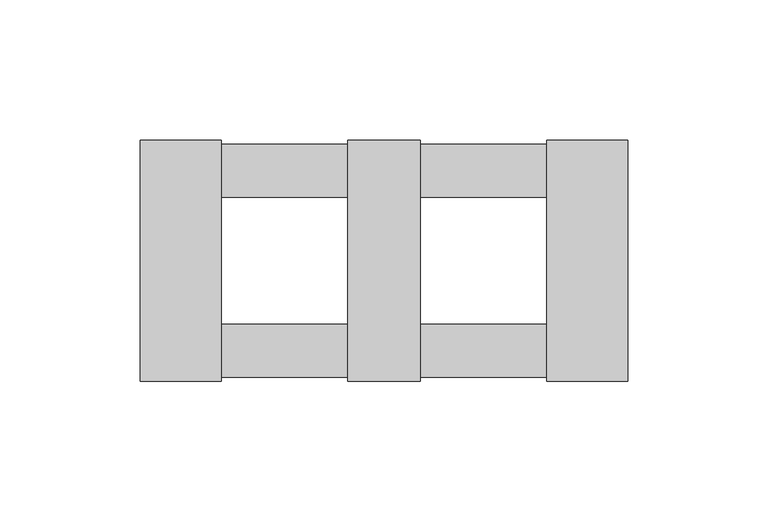
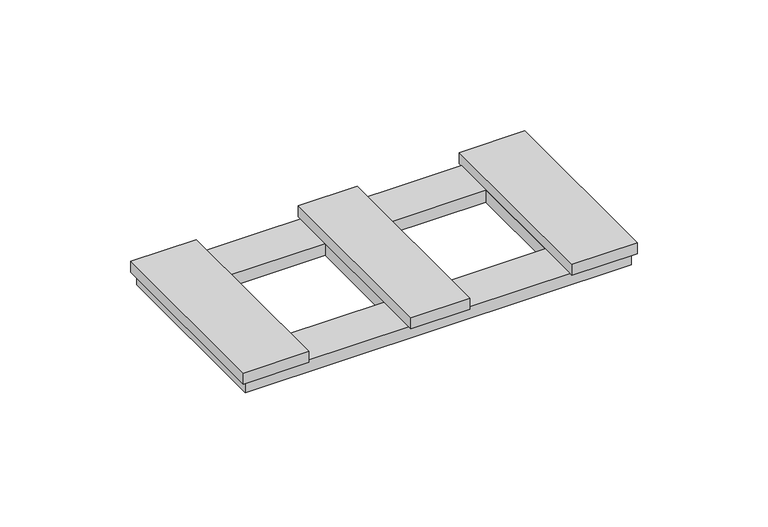
"""IFC4 building model written with IfcOpenShell, lengths in millimetres: proxy geometry."""

from ifc_helpers import new_model, si_unit, frame, origin, origin_with_axes, place, context, project, spatial, polyline, outline, extrude, source, transform, mapped, element, save


def electrical_fixtures_8d5cb223(model_context):
    return source(origin(), model_context, "Body", "SweptSolid", [
        extrude(outline(polyline([(-86.9, -43.0), (-86.9, 43.0), (-58.0, 43.0), (-58.0, -43.0), (-86.9, -43.0)])), frame((0.0, 0.0, 5.5), z_axis=(0.0, 0.0, 1.0), x_axis=(1.0, 0.0, 0.0)), (0.0, 0.0, 1.0), 5.2),
        extrude(outline(polyline([(-13.0, -43.0), (-13.0, 43.0), (13.0, 43.0), (13.0, -43.0), (-13.0, -43.0)])), frame((0.0, 0.0, 5.5), z_axis=(0.0, 0.0, 1.0), x_axis=(1.0, 0.0, 0.0)), (0.0, 0.0, 1.0), 5.2),
        extrude(outline(polyline([(85.2, 41.5), (85.2, -41.5), (-85.1718172, -41.5), (-85.1718172, 41.5), (85.2, 41.5)]), holes=[polyline([(-13.0, 22.5), (-58.0, 22.5), (-58.0, -22.5), (-13.0, -22.5), (-13.0, 22.5)]), polyline([(13.0, 22.5), (13.0, -22.5), (58.0, -22.5), (58.0, 22.5), (13.0, 22.5)])]), origin_with_axes(), (0.0, 0.0, 1.0), 5.5),
        extrude(outline(polyline([(86.9, -43.0), (58.0, -43.0), (58.0, 43.0), (86.9, 43.0), (86.9, -43.0)])), frame((0.0, 0.0, 5.5), z_axis=(0.0, 0.0, 1.0), x_axis=(1.0, 0.0, 0.0)), (0.0, 0.0, 1.0), 5.2),
    ])


if __name__ == "__main__":
    model = new_model("IFC4")
    model_context = context("Model", 3, world=origin())
    ifc_project = project(units=[si_unit("LENGTHUNIT", "METRE", prefix="MILLI")], contexts=[model_context])
    site = spatial("IfcSite", under=ifc_project)
    building = spatial("IfcBuilding", under=site)
    placement = place(None, origin())
    electrical_fixtures_shape = electrical_fixtures_8d5cb223(model_context)
    element("IfcBuildingElementProxy", 1, Name="Electrical Fixtures", at=placement, inside=building, context=model_context, shape_type="MappedRepresentation", body=[
        mapped(electrical_fixtures_shape, transform((0.0, 0.0, 0.0), x_axis=(1.0, 0.0, 0.0), y_axis=(0.0, 1.0, 0.0), z_axis=(0.0, 0.0, 1.0))),
    ])
    save(model, "model.ifc")
